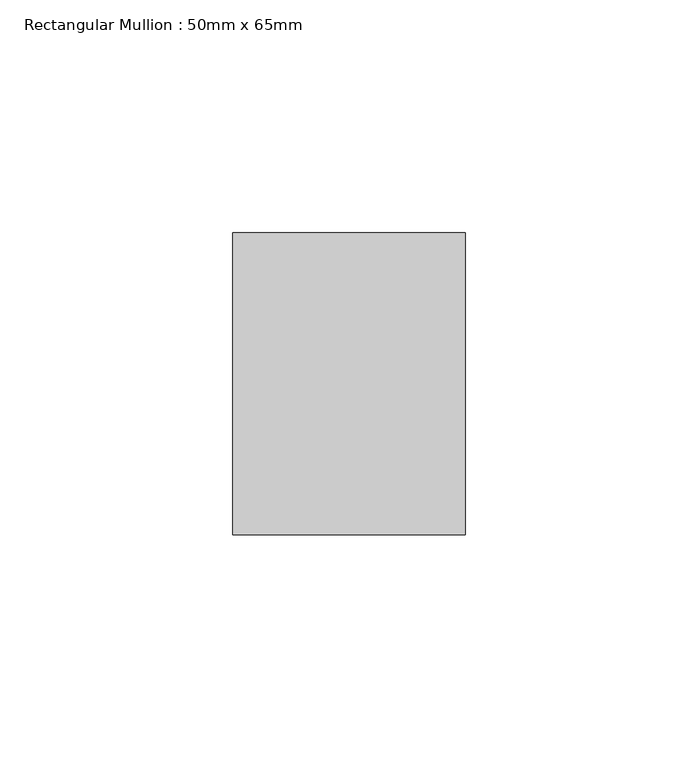
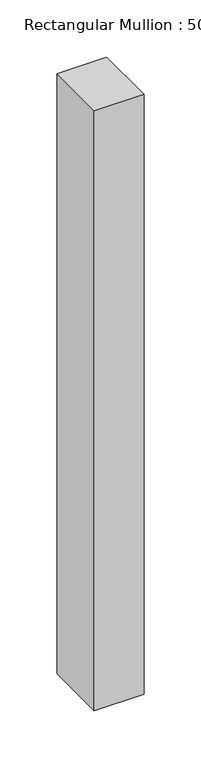
"""IFC4 building model written with IfcOpenShell, lengths in millimetres: member geometry, Rectangular Mullion : 50mm x 65mm."""

from ifc_helpers import new_model, si_unit, frame, origin, place, context, project, spatial, polyline, outline, extrude, source, transform, mapped, element, save


def rectangular_mullion_50mm_x_65mm_6fe72f50(model_context):
    return source(origin(), model_context, "Body", "SweptSolid", [
        extrude(outline(polyline([(25.0, 32.5), (25.0, -32.5), (-25.0, -32.5), (-25.0, 32.5), (25.0, 32.5)])), frame((0.0, 0.0, -639.712685), z_axis=(0.0, 0.0, 1.0), x_axis=(1.0, 0.0, 0.0)), (0.0, 0.0, 1.0), 639.712685),
    ])


if __name__ == "__main__":
    model = new_model("IFC4")
    model_context = context("Model", 3, world=origin())
    ifc_project = project(units=[si_unit("LENGTHUNIT", "METRE", prefix="MILLI")], contexts=[model_context])
    site = spatial("IfcSite", under=ifc_project)
    building = spatial("IfcBuilding", under=site)
    placement = place(None, origin())
    rectangular_mullion_50mm_x_65mm_shape = rectangular_mullion_50mm_x_65mm_6fe72f50(model_context)
    element("IfcMember", 1, ObjectType="Rectangular Mullion : 50mm x 65mm", at=placement, inside=building, context=model_context, shape_type="MappedRepresentation", body=[
        mapped(rectangular_mullion_50mm_x_65mm_shape, transform((0.0, 0.0, 0.0), x_axis=(1.0, 0.0, 0.0), y_axis=(0.0, 1.0, 0.0), z_axis=(0.0, 0.0, 1.0))),
    ])
    save(model, "model.ifc")
